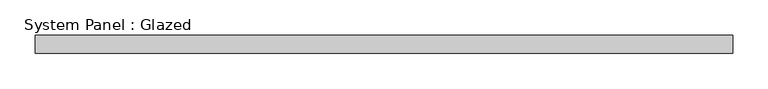
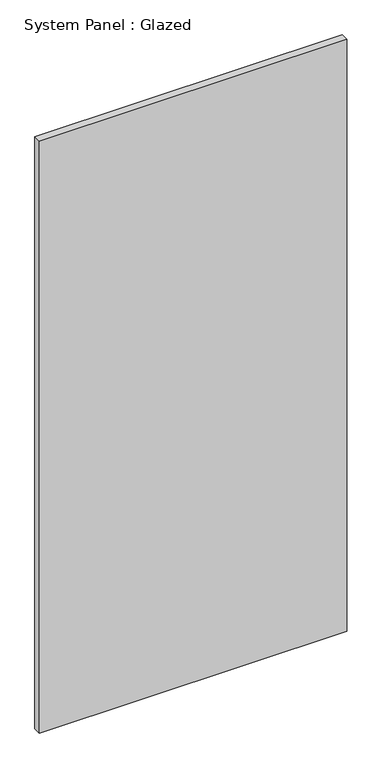
"""IFC4 building model written with IfcOpenShell, lengths in millimetres: plate geometry, System Panel : Glazed."""

from ifc_helpers import new_model, si_unit, origin, origin_with_axes, place, context, project, spatial, polyline, outline, extrude, source, transform, mapped, element, save


def system_panel_glazed_6e655a25(model_context):
    return source(origin(), model_context, "Body", "SweptSolid", [
        extrude(outline(polyline([(491.1306816, 24.5), (-491.1306816, 24.5), (-491.1306816, 49.5), (491.1306816, 49.5), (491.1306816, 24.5)])), origin_with_axes(), (0.0, 0.0, 1.0), 2000.0),
    ])


if __name__ == "__main__":
    model = new_model("IFC4")
    model_context = context("Model", 3, world=origin())
    ifc_project = project(units=[si_unit("LENGTHUNIT", "METRE", prefix="MILLI")], contexts=[model_context])
    site = spatial("IfcSite", under=ifc_project)
    building = spatial("IfcBuilding", under=site)
    placement = place(None, origin())
    system_panel_glazed_shape = system_panel_glazed_6e655a25(model_context)
    element("IfcPlate", 1, ObjectType="System Panel : Glazed", at=placement, inside=building, context=model_context, shape_type="MappedRepresentation", body=[
        mapped(system_panel_glazed_shape, transform((0.0, 0.0, 0.0), x_axis=(1.0, 0.0, 0.0), y_axis=(0.0, 1.0, 0.0), z_axis=(0.0, 0.0, 1.0))),
    ])
    save(model, "model.ifc")
